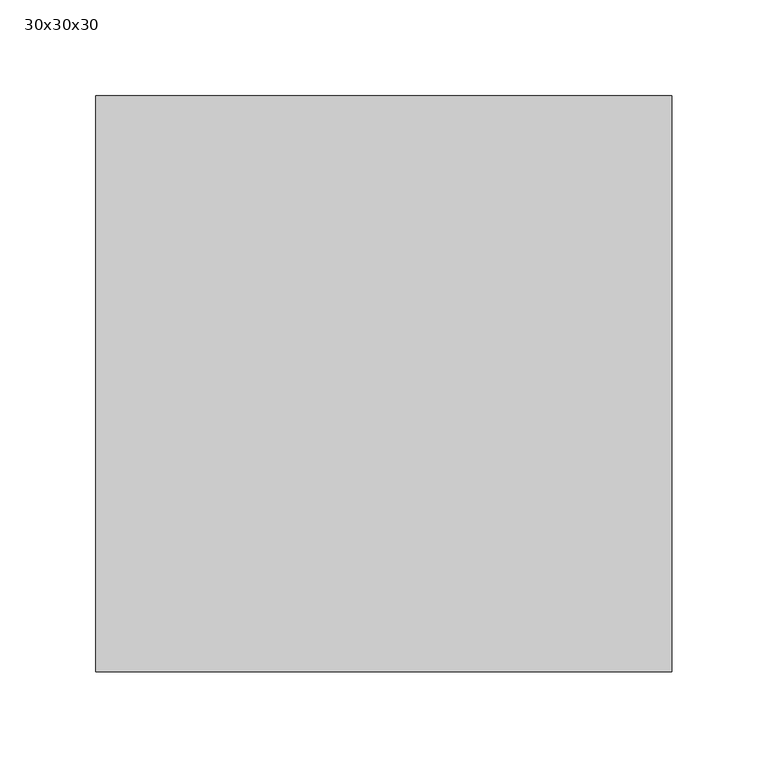
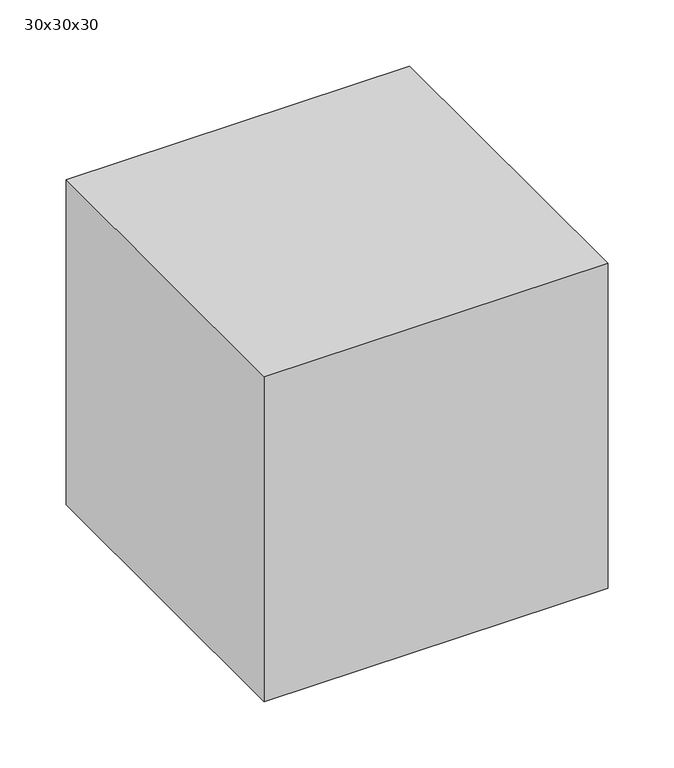
"""IFC4 building model written with IfcOpenShell, lengths in millimetres: proxy geometry, 30x30x30."""

from ifc_helpers import new_model, si_unit, origin, origin_with_axes, place, context, project, spatial, polyline, outline, extrude, source, transform, mapped, element, save


def proxy_30x30x30_fc4c2a8e(model_context):
    return source(origin(), model_context, "Body", "SweptSolid", [
        extrude(outline(polyline([(300.0, 300.0), (300.0, 0.0), (0.0, 0.0), (0.0, 300.0), (300.0, 300.0)])), origin_with_axes(), (0.0, 0.0, 1.0), 300.0),
    ])


if __name__ == "__main__":
    model = new_model("IFC4")
    model_context = context("Model", 3, world=origin())
    ifc_project = project(units=[si_unit("LENGTHUNIT", "METRE", prefix="MILLI")], contexts=[model_context])
    site = spatial("IfcSite", under=ifc_project)
    building = spatial("IfcBuilding", under=site)
    placement = place(None, origin())
    proxy_30x30x30_shape = proxy_30x30x30_fc4c2a8e(model_context)
    element("IfcBuildingElementProxy", 1, Name="30x30x30", ObjectType="30x30x30", at=placement, inside=building, context=model_context, shape_type="MappedRepresentation", body=[
        mapped(proxy_30x30x30_shape, transform((0.0, 0.0, 0.0), x_axis=(1.0, 0.0, 0.0), y_axis=(0.0, 1.0, 0.0), z_axis=(0.0, 0.0, 1.0))),
    ])
    save(model, "model.ifc")
